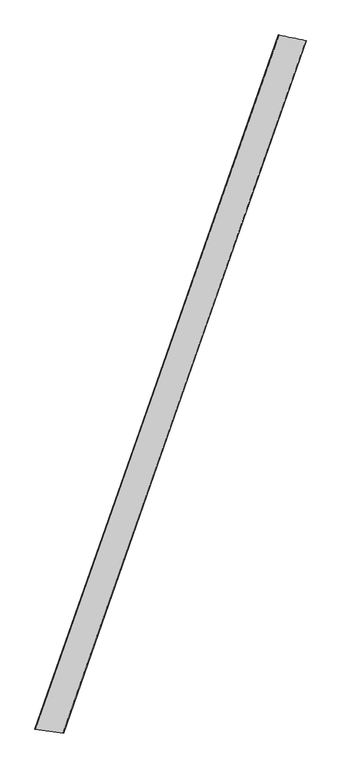
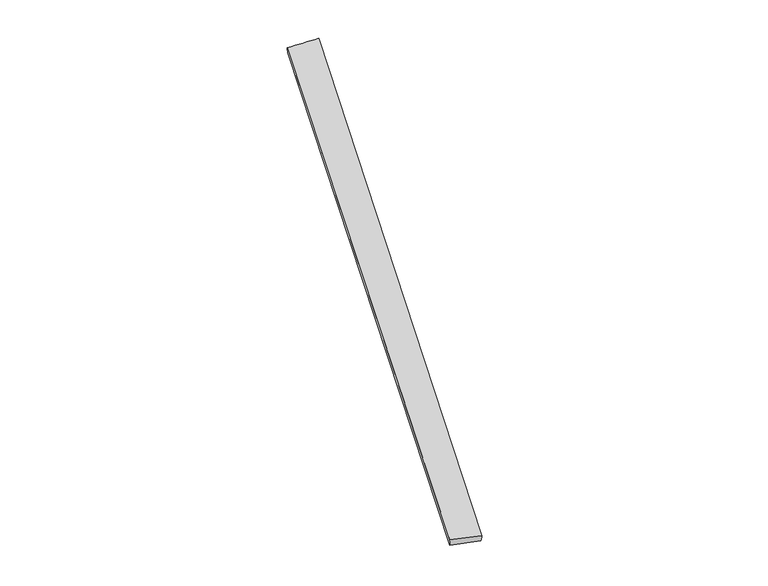
"""IFC4 building model written with IfcOpenShell, lengths in millimetres: proxy geometry."""

from ifc_helpers import new_model, si_unit, origin, place, context, project, spatial, source, transform, mapped, element, save
from ifc_brep_helpers import spline_surface, advanced_brep


def generic_models_38e32ec0(model_context):
    return source(origin(), model_context, "Body", "AdvancedBrep", [
        advanced_brep(
        [(-710.5137853, -1799.9682562, 9.5870717), (-708.6759923, -1800.4719347, 39.526491), (696.7286996, 2208.1702337, 20.0460569), (700.7701539, 2206.6042128, -9.6391958), (-543.3156578, -1823.0356364, 19.893247), (855.4010551, 2175.2888585, 39.5312768), (-548.3780513, -1821.1112263, -9.6138508), (858.1216827, 2174.4752697, 9.6659748)],
        [
            (0, 1),
            (1, 2),
            (2, 3),
            (3, 0),
            (1, 4),
            (4, 5),
            (5, 2),
            (4, 6),
            (6, 7),
            (7, 5),
            (6, 0),
            (3, 7),
        ],
        [
            spline_surface(1, 1, [[(-710.5137853, -1799.9682562, 9.5870717), (700.7701539, 2206.6042128, -9.6391958)], [(-708.6759923, -1800.4719347, 39.526491), (696.7286996, 2208.1702337, 20.0460569)]], [2, 2], [2, 2], [0.0, 1.0], [0.0, 1.0]),
            spline_surface(1, 1, [[(-708.6759923, -1800.4719347, 39.526491), (696.7286996, 2208.1702337, 20.0460569)], [(-543.3156578, -1823.0356364, 19.893247), (855.4010551, 2175.2888585, 39.5312768)]], [2, 2], [2, 2], [0.0, 1.0], [0.0, 1.0]),
            spline_surface(1, 1, [[(-543.3156578, -1823.0356364, 19.893247), (855.4010551, 2175.2888585, 39.5312768)], [(-548.3780513, -1821.1112263, -9.6138508), (858.1216827, 2174.4752697, 9.6659748)]], [2, 2], [2, 2], [0.0, 1.0], [0.0, 1.0]),
            spline_surface(1, 1, [[(-548.3780513, -1821.1112263, -9.6138508), (858.1216827, 2174.4752697, 9.6659748)], [(-710.5137853, -1799.9682562, 9.5870717), (700.7701539, 2206.6042128, -9.6391958)]], [2, 2], [2, 2], [0.0, 1.0], [0.0, 1.0]),
            spline_surface(1, 1, [[(696.7286996, 2208.1702337, 20.0460569), (700.7701539, 2206.6042128, -9.6391958)], [(855.4010551, 2175.2888585, 39.5312768), (858.1216827, 2174.4752697, 9.6659748)]], [2, 2], [2, 2], [0.0, 1.0], [0.0, 1.0]),
            spline_surface(1, 1, [[(-548.3780513, -1821.1112263, -9.6138508), (-710.5137853, -1799.9682562, 9.5870717)], [(-543.3156578, -1823.0356364, 19.893247), (-708.6759923, -1800.4719347, 39.526491)]], [2, 2], [2, 2], [0.0, 1.0], [0.0, 1.0]),
        ],
        [
            (0, [[1, 2, 3, 4]]),
            (1, [[5, 6, 7, -2]]),
            (2, [[8, 9, 10, -6]]),
            (3, [[11, -4, 12, -9]]),
            (4, [[-3, -7, -10, -12]]),
            (5, [[-11, -8, -5, -1]]),
        ],
    ),
    ])


if __name__ == "__main__":
    model = new_model("IFC4")
    model_context = context("Model", 3, world=origin())
    ifc_project = project(units=[si_unit("LENGTHUNIT", "METRE", prefix="MILLI")], contexts=[model_context])
    site = spatial("IfcSite", under=ifc_project)
    building = spatial("IfcBuilding", under=site)
    placement = place(None, origin())
    generic_models_shape = generic_models_38e32ec0(model_context)
    element("IfcBuildingElementProxy", 1, Name="Generic Models", at=placement, inside=building, context=model_context, shape_type="MappedRepresentation", body=[
        mapped(generic_models_shape, transform((0.0, 0.0, 0.0), x_axis=(1.0, 0.0, 0.0), y_axis=(0.0, 1.0, 0.0), z_axis=(0.0, 0.0, 1.0))),
    ])
    save(model, "model.ifc")
